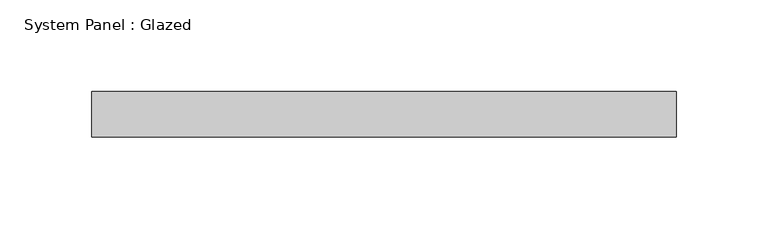
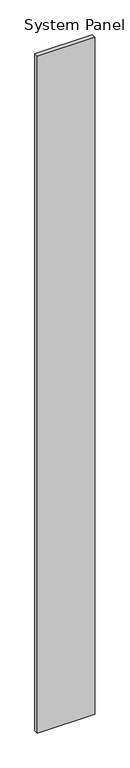
"""IFC4 building model written with IfcOpenShell, lengths in millimetres: plate geometry, System Panel : Glazed."""

import ifcopenshell
import ifcopenshell.guid

model = None  # the IFC model being written
_history = None  # IfcOwnerHistory: only IFC2X3 demands one
_inside = {}  # id of a spatial element -> (the spatial element, [elements in it])
_under = {}  # id of a project, library or spatial element -> (it, [spatial elements below it])
_declared = {}  # id of a project -> (the project, [libraries it declares])
_typed = {}  # id of a type object -> (the type object, [elements of that type])
_made_of = {}  # id of a material, layer set ... -> (it, [elements and type objects made of it])


def new_model(schema):
    """Start an empty IFC model of exactly this schema.

    Asked for "IFC4X3", IfcOpenShell would pick the latest addendum, in which some entities
    have other attributes; the version numbers below select the first issue.
    IFC2X3 requires an IfcOwnerHistory on every rooted entity: one is made here for all.
    """
    global model, _history
    if schema == "IFC4X3":
        model = ifcopenshell.file(schema_version=(4, 3, 0, 0))
    else:
        model = ifcopenshell.file(schema=schema)
    _inside.clear()
    _under.clear()
    _declared.clear()
    _typed.clear()
    _made_of.clear()
    _history = None
    if model.schema == "IFC2X3":
        org = make("IfcOrganization", Name="unknown")
        user = make(
            "IfcPersonAndOrganization",
            ThePerson=make("IfcPerson", FamilyName="unknown"),
            TheOrganization=org,
        )
        app = make(
            "IfcApplication",
            ApplicationDeveloper=org,
            Version="unknown",
            ApplicationFullName="unknown",
            ApplicationIdentifier="unknown",
        )
        _history = make(
            "IfcOwnerHistory",
            OwningUser=user,
            OwningApplication=app,
            ChangeAction="ADDED",
            CreationDate=0,
        )
    return model


def make(cls, **values):
    """One entity of the class cls with the attributes given. An attribute that is None is left unset."""
    return model.create_entity(
        cls, **{name: value for name, value in values.items() if value is not None}
    )


def rooted(cls, **values):
    """An entity with a GlobalId (a new one), such as an element, a storey or a relation."""
    return make(cls, GlobalId=ifcopenshell.guid.new(), OwnerHistory=_history, **values)


def si_unit(unit_type, name, prefix=None):
    """IfcSIUnit, for example si_unit("LENGTHUNIT", "METRE", prefix="MILLI")."""
    return make("IfcSIUnit", UnitType=unit_type, Prefix=prefix, Name=name)


def assignment(units):
    """IfcUnitAssignment: the units of a project."""
    return None if units is None else make("IfcUnitAssignment", Units=units)


def point(xyz):
    """IfcCartesianPoint."""
    return None if xyz is None else make("IfcCartesianPoint", Coordinates=xyz)


def direction(xyz):
    """IfcDirection."""
    return None if xyz is None else make("IfcDirection", DirectionRatios=xyz)


def frame(location, z_axis=None, x_axis=None):
    """IfcAxis2Placement3D, a coordinate frame: its origin and axes. An axis left out is left unset."""
    return make(
        "IfcAxis2Placement3D",
        Location=point(location),
        Axis=direction(z_axis),
        RefDirection=direction(x_axis),
    )


def origin():
    """The frame at (0, 0, 0) with its axes left unset."""
    return frame((0.0, 0.0, 0.0))


def origin_with_axes():
    """The frame at (0, 0, 0) with the z axis (0, 0, 1) and the x axis (1, 0, 0) written out."""
    return frame((0.0, 0.0, 0.0), z_axis=(0.0, 0.0, 1.0), x_axis=(1.0, 0.0, 0.0))


def place(relative_to, where):
    """IfcLocalPlacement: puts the frame where relative to a parent placement (None: the world)."""
    return make(
        "IfcLocalPlacement", PlacementRelTo=relative_to, RelativePlacement=where
    )


def context(
    kind, dimensions, precision=None, world=None, true_north=None, identifier=None
):
    """IfcGeometricRepresentationContext, for example the 3D "Model" context."""
    return make(
        "IfcGeometricRepresentationContext",
        ContextIdentifier=identifier,
        ContextType=kind,
        CoordinateSpaceDimension=dimensions,
        Precision=precision,
        WorldCoordinateSystem=world,
        TrueNorth=true_north,
    )


def project(units=None, contexts=None):
    """IfcProject with its units and contexts."""
    return rooted(
        "IfcProject",
        Name="project",
        RepresentationContexts=contexts,
        UnitsInContext=assignment(units),
    )


def spatial(cls, under=None, at=None, **own):
    """A site, building, storey or space (cls), placed at a placement, below another one or the project."""
    s = rooted(cls, ObjectPlacement=at, **own)
    if under is not None:
        _under.setdefault(under.id(), (under, []))[1].append(s)
    return s


def polyline(points):
    """IfcPolyline through the points."""
    return make("IfcPolyline", Points=[point(p) for p in points])


def outline(outer, holes=None, kind="AREA"):
    """IfcArbitraryClosedProfileDef: a profile drawn as a closed curve; with holes, ...WithVoids."""
    if holes is None:
        return make("IfcArbitraryClosedProfileDef", ProfileType=kind, OuterCurve=outer)
    return make(
        "IfcArbitraryProfileDefWithVoids",
        ProfileType=kind,
        OuterCurve=outer,
        InnerCurves=holes,
    )


def extrude(swept, where, along, depth):
    """IfcExtrudedAreaSolid: the profile swept, set in the frame where, extruded along a direction by depth."""
    return make(
        "IfcExtrudedAreaSolid",
        SweptArea=swept,
        Position=where,
        ExtrudedDirection=direction(along),
        Depth=depth,
    )


def shape(context_of_items, identifier, shape_type, items):
    """IfcShapeRepresentation: the items that make up one representation, for example the "Body"."""
    return make(
        "IfcShapeRepresentation",
        ContextOfItems=context_of_items,
        RepresentationIdentifier=identifier,
        RepresentationType=shape_type,
        Items=items,
    )


def source(mapping_origin, context_of_items, identifier, shape_type, items):
    """IfcRepresentationMap: a shape defined once, which mapped items show again and again."""
    return make(
        "IfcRepresentationMap",
        MappingOrigin=mapping_origin,
        MappedRepresentation=shape(context_of_items, identifier, shape_type, items),
    )


def transform(
    local_origin,
    x_axis=None,
    y_axis=None,
    z_axis=None,
    scale=None,
    scale2=None,
    scale3=None,
    uniform=True,
):
    """IfcCartesianTransformationOperator3D, or its non-uniform kind. x_axis, y_axis, z_axis: its Axis1, 2, 3."""
    if uniform:
        return make(
            "IfcCartesianTransformationOperator3D",
            Axis1=direction(x_axis),
            Axis2=direction(y_axis),
            LocalOrigin=point(local_origin),
            Scale=scale,
            Axis3=direction(z_axis),
        )
    return make(
        "IfcCartesianTransformationOperator3DnonUniform",
        Axis1=direction(x_axis),
        Axis2=direction(y_axis),
        LocalOrigin=point(local_origin),
        Scale=scale,
        Axis3=direction(z_axis),
        Scale2=scale2,
        Scale3=scale3,
    )


def mapped(mapping_source, mapping_target):
    """IfcMappedItem: shows the shape of a source again, moved by a transform."""
    return make(
        "IfcMappedItem", MappingSource=mapping_source, MappingTarget=mapping_target
    )


def made_of(thing, what):
    """Note that an element or type object is made of a material, layer set ...; save() writes the relation."""
    if what is not None:
        _made_of.setdefault(what.id(), (what, []))[1].append(thing)
    return thing


def element(
    cls,
    number,
    at=None,
    inside=None,
    cuts=None,
    type_object=None,
    material=None,
    context=None,
    identifier="Body",
    shape_type=None,
    held_by="IfcProductDefinitionShape",
    body=None,
    shapes=None,
    **own,
):
    """One element of the class cls, such as IfcWall. Its Tag is "e" and its number.

    at: its placement. inside: the storey or other place that contains it. cuts: it is an
    opening in that element (IfcRelVoidsElement). A single representation is given by context,
    identifier, shape_type and body (its items); several are given by shapes. held_by: the class
    of the entity that holds the representations. save() writes the other relations.
    """
    e = rooted(cls, Tag="e%d" % number, ObjectPlacement=at, **own)
    if body is not None:
        shapes = [shape(context, identifier, shape_type, body)]
    if shapes is not None:
        e.Representation = make(held_by, Representations=shapes)
    if inside is not None:
        _inside.setdefault(inside.id(), (inside, []))[1].append(e)
    if cuts is not None:
        rooted(
            "IfcRelVoidsElement", RelatingBuildingElement=cuts, RelatedOpeningElement=e
        )
    if type_object is not None:
        _typed.setdefault(type_object.id(), (type_object, []))[1].append(e)
    return made_of(e, material)


def aggregate(whole, parts):
    """IfcRelAggregates: a whole, such as a stair, and the parts it consists of."""
    return rooted("IfcRelAggregates", RelatingObject=whole, RelatedObjects=parts)


def save(model, path):
    """Write the relations noted so far, then the file.

    IfcRelAggregates (storeys below a building ...), IfcRelContainedInSpatialStructure (elements
    in a storey), IfcRelDefinesByType, IfcRelAssociatesMaterial and IfcRelDeclares: one each for
    every whole, place, type object, material and project.
    """
    for whole, parts in _under.values():
        aggregate(whole, parts)
    for where, things in _inside.values():
        rooted(
            "IfcRelContainedInSpatialStructure",
            RelatedElements=things,
            RelatingStructure=where,
        )
    for kind, things in _typed.values():
        rooted("IfcRelDefinesByType", RelatedObjects=things, RelatingType=kind)
    for what, things in _made_of.values():
        rooted("IfcRelAssociatesMaterial", RelatedObjects=things, RelatingMaterial=what)
    for by, libraries in _declared.values():
        rooted("IfcRelDeclares", RelatingContext=by, RelatedDefinitions=libraries)
    model.write(path)


def system_panel_glazed_fe8fe161(model_context):
    return source(origin(), model_context, "Body", "SweptSolid", [
        extrude(outline(polyline([(159.6986552, -49.5), (-159.6986552, -49.5), (-159.6986552, -24.5), (159.6986552, -24.5), (159.6986552, -49.5)])), origin_with_axes(), (0.0, 0.0, 1.0), 4000.0),
    ])


if __name__ == "__main__":
    model = new_model("IFC4")
    model_context = context("Model", 3, world=origin())
    ifc_project = project(units=[si_unit("LENGTHUNIT", "METRE", prefix="MILLI")], contexts=[model_context])
    site = spatial("IfcSite", under=ifc_project)
    building = spatial("IfcBuilding", under=site)
    placement = place(None, origin())
    system_panel_glazed_shape = system_panel_glazed_fe8fe161(model_context)
    element("IfcPlate", 1, ObjectType="System Panel : Glazed", at=placement, inside=building, context=model_context, shape_type="MappedRepresentation", body=[
        mapped(system_panel_glazed_shape, transform((0.0, 0.0, 0.0), x_axis=(1.0, 0.0, 0.0), y_axis=(0.0, 1.0, 0.0), z_axis=(0.0, 0.0, 1.0))),
    ])
    save(model, "model.ifc")
